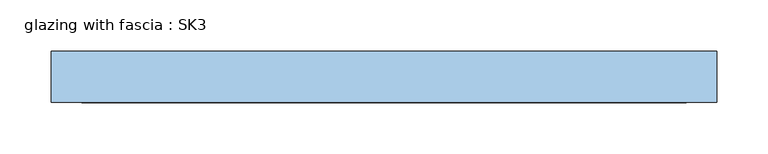
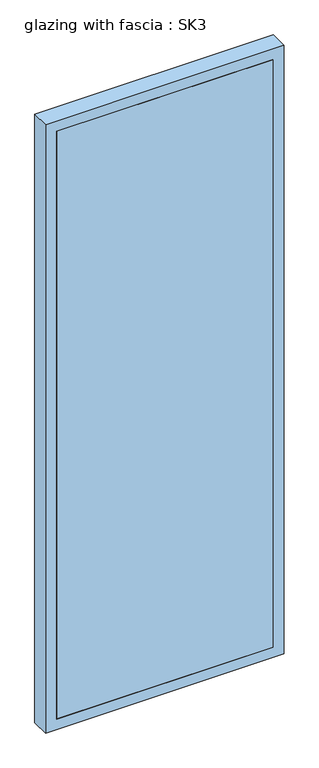
"""IFC4 building model written with IfcOpenShell, lengths in millimetres: window geometry, glazing with fascia : SK3."""

from ifc_helpers import new_model, si_unit, frame, origin, place, context, project, spatial, polyline, outline, extrude, source, transform, mapped, element, save


def glazing_with_fascia_sk3_7e5e6217(model_context):
    return source(origin(), model_context, "Body", "SweptSolid", [
        extrude(outline(polyline([(295.0, 0.1334055), (-295.0, 0.1334055), (-295.0, 8.1334055), (295.0, 8.1334055), (295.0, 0.1334055)])), frame((0.0, 0.0, 30.0), z_axis=(0.0, 0.0, 1.0), x_axis=(1.0, 0.0, 0.0)), (0.0, 0.0, 1.0), 1690.0),
        extrude(outline(polyline([(1750.0, -325.0), (0.0, -325.0), (0.0, 325.0), (1750.0, 325.0), (1750.0, -325.0)]), holes=[polyline([(1720.0, -295.0), (1720.0, 295.0), (30.0, 295.0), (30.0, -295.0), (1720.0, -295.0)])]), frame((0.0, 0.0, 0.0), z_axis=(0.0, 1.0, 0.0), x_axis=(0.0, 0.0, 1.0)), (0.0, 0.0, 1.0), 50.0),
        extrude(outline(polyline([(-295.0, 48.1334055), (295.0, 48.1334055), (295.0, 8.1334055), (-295.0, 8.1334055), (-295.0, 48.1334055)])), frame((0.0, 0.0, 1580.4), z_axis=(0.0, 0.0, 1.0), x_axis=(1.0, 0.0, 0.0)), (0.0, 0.0, 1.0), 30.0),
        extrude(outline(polyline([(-295.0, 48.1334055), (295.0, 48.1334055), (295.0, 8.1334055), (-295.0, 8.1334055), (-295.0, 48.1334055)])), frame((0.0, 0.0, 1490.4), z_axis=(0.0, 0.0, 1.0), x_axis=(1.0, 0.0, 0.0)), (0.0, 0.0, 1.0), 30.0),
        extrude(outline(polyline([(-295.0, 48.1334055), (295.0, 48.1334055), (295.0, 8.1334055), (-295.0, 8.1334055), (-295.0, 48.1334055)])), frame((0.0, 0.0, 1400.4), z_axis=(0.0, 0.0, 1.0), x_axis=(1.0, 0.0, 0.0)), (0.0, 0.0, 1.0), 30.0),
        extrude(outline(polyline([(-295.0, 48.1334055), (295.0, 48.1334055), (295.0, 8.1334055), (-295.0, 8.1334055), (-295.0, 48.1334055)])), frame((0.0, 0.0, 1310.4), z_axis=(0.0, 0.0, 1.0), x_axis=(1.0, 0.0, 0.0)), (0.0, 0.0, 1.0), 30.0),
        extrude(outline(polyline([(-295.0, 48.1334055), (295.0, 48.1334055), (295.0, 8.1334055), (-295.0, 8.1334055), (-295.0, 48.1334055)])), frame((0.0, 0.0, 1220.4), z_axis=(0.0, 0.0, 1.0), x_axis=(1.0, 0.0, 0.0)), (0.0, 0.0, 1.0), 30.0),
        extrude(outline(polyline([(-295.0, 48.1334055), (295.0, 48.1334055), (295.0, 8.1334055), (-295.0, 8.1334055), (-295.0, 48.1334055)])), frame((0.0, 0.0, 1130.4), z_axis=(0.0, 0.0, 1.0), x_axis=(1.0, 0.0, 0.0)), (0.0, 0.0, 1.0), 30.0),
        extrude(outline(polyline([(-295.0, 48.1334055), (295.0, 48.1334055), (295.0, 8.1334055), (-295.0, 8.1334055), (-295.0, 48.1334055)])), frame((0.0, 0.0, 1040.4), z_axis=(0.0, 0.0, 1.0), x_axis=(1.0, 0.0, 0.0)), (0.0, 0.0, 1.0), 30.0),
        extrude(outline(polyline([(-295.0, 48.1334055), (295.0, 48.1334055), (295.0, 8.1334055), (-295.0, 8.1334055), (-295.0, 48.1334055)])), frame((0.0, 0.0, 950.4), z_axis=(0.0, 0.0, 1.0), x_axis=(1.0, 0.0, 0.0)), (0.0, 0.0, 1.0), 30.0),
        extrude(outline(polyline([(-295.0, 48.1334055), (295.0, 48.1334055), (295.0, 8.1334055), (-295.0, 8.1334055), (-295.0, 48.1334055)])), frame((0.0, 0.0, 860.4), z_axis=(0.0, 0.0, 1.0), x_axis=(1.0, 0.0, 0.0)), (0.0, 0.0, 1.0), 30.0),
        extrude(outline(polyline([(-295.0, 48.1334055), (295.0, 48.1334055), (295.0, 8.1334055), (-295.0, 8.1334055), (-295.0, 48.1334055)])), frame((0.0, 0.0, 770.4), z_axis=(0.0, 0.0, 1.0), x_axis=(1.0, 0.0, 0.0)), (0.0, 0.0, 1.0), 30.0),
        extrude(outline(polyline([(-295.0, 48.1334055), (295.0, 48.1334055), (295.0, 8.1334055), (-295.0, 8.1334055), (-295.0, 48.1334055)])), frame((0.0, 0.0, 680.4), z_axis=(0.0, 0.0, 1.0), x_axis=(1.0, 0.0, 0.0)), (0.0, 0.0, 1.0), 30.0),
        extrude(outline(polyline([(-295.0, 48.1334055), (295.0, 48.1334055), (295.0, 8.1334055), (-295.0, 8.1334055), (-295.0, 48.1334055)])), frame((0.0, 0.0, 590.4), z_axis=(0.0, 0.0, 1.0), x_axis=(1.0, 0.0, 0.0)), (0.0, 0.0, 1.0), 30.0),
        extrude(outline(polyline([(-295.0, 48.1334055), (295.0, 48.1334055), (295.0, 8.1334055), (-295.0, 8.1334055), (-295.0, 48.1334055)])), frame((0.0, 0.0, 500.4), z_axis=(0.0, 0.0, 1.0), x_axis=(1.0, 0.0, 0.0)), (0.0, 0.0, 1.0), 30.0),
        extrude(outline(polyline([(-295.0, 48.1334055), (295.0, 48.1334055), (295.0, 8.1334055), (-295.0, 8.1334055), (-295.0, 48.1334055)])), frame((0.0, 0.0, 410.4), z_axis=(0.0, 0.0, 1.0), x_axis=(1.0, 0.0, 0.0)), (0.0, 0.0, 1.0), 30.0),
        extrude(outline(polyline([(-295.0, 48.1334055), (295.0, 48.1334055), (295.0, 8.1334055), (-295.0, 8.1334055), (-295.0, 48.1334055)])), frame((0.0, 0.0, 320.4), z_axis=(0.0, 0.0, 1.0), x_axis=(1.0, 0.0, 0.0)), (0.0, 0.0, 1.0), 30.0),
        extrude(outline(polyline([(-295.0, 48.1334055), (295.0, 48.1334055), (295.0, 8.1334055), (-295.0, 8.1334055), (-295.0, 48.1334055)])), frame((0.0, 0.0, 230.4), z_axis=(0.0, 0.0, 1.0), x_axis=(1.0, 0.0, 0.0)), (0.0, 0.0, 1.0), 30.0),
        extrude(outline(polyline([(-295.0, 48.1334055), (295.0, 48.1334055), (295.0, 8.1334055), (-295.0, 8.1334055), (-295.0, 48.1334055)])), frame((0.0, 0.0, 140.4), z_axis=(0.0, 0.0, 1.0), x_axis=(1.0, 0.0, 0.0)), (0.0, 0.0, 1.0), 30.0),
        extrude(outline(polyline([(-295.0, 48.1334055), (295.0, 48.1334055), (295.0, 8.1334055), (-295.0, 8.1334055), (-295.0, 48.1334055)])), frame((0.0, 0.0, 50.4), z_axis=(0.0, 0.0, 1.0), x_axis=(1.0, 0.0, 0.0)), (0.0, 0.0, 1.0), 30.0),
        extrude(outline(polyline([(-295.0, 48.1334055), (295.0, 48.1334055), (295.0, 8.1334055), (-295.0, 8.1334055), (-295.0, 48.1334055)])), frame((0.0, 0.0, 1670.0), z_axis=(0.0, 0.0, 1.0), x_axis=(1.0, 0.0, 0.0)), (0.0, 0.0, 1.0), 30.0),
    ])


if __name__ == "__main__":
    model = new_model("IFC4")
    model_context = context("Model", 3, world=origin())
    ifc_project = project(units=[si_unit("LENGTHUNIT", "METRE", prefix="MILLI")], contexts=[model_context])
    site = spatial("IfcSite", under=ifc_project)
    building = spatial("IfcBuilding", under=site)
    placement = place(None, origin())
    glazing_with_fascia_sk3_shape = glazing_with_fascia_sk3_7e5e6217(model_context)
    element("IfcWindow", 1, ObjectType="glazing with fascia : SK3", at=placement, inside=building, context=model_context, shape_type="MappedRepresentation", body=[
        mapped(glazing_with_fascia_sk3_shape, transform((0.0, 0.0, 0.0), x_axis=(1.0, 0.0, 0.0), y_axis=(0.0, 1.0, 0.0), z_axis=(0.0, 0.0, 1.0))),
    ])
    save(model, "model.ifc")
